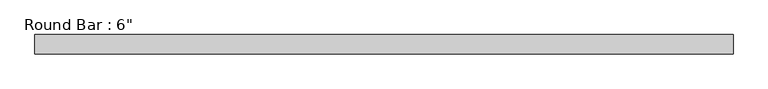
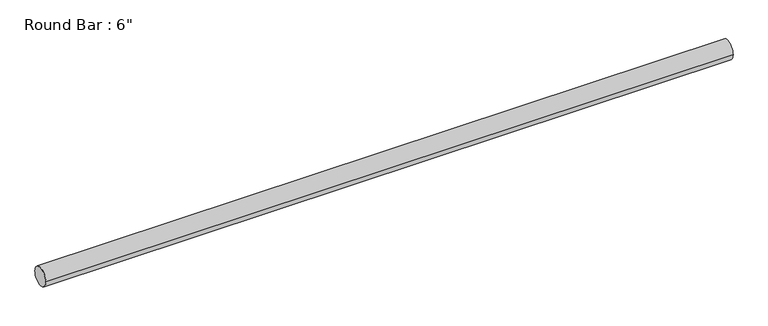
"""IFC4 building model written with IfcOpenShell, lengths in millimetres: beam geometry."""

from ifc_helpers import new_model, si_unit, point, frame, origin, origin_2d, place, context, project, spatial, circle_curve, trimmed, segment, composite_curve, outline, extrude, source, transform, mapped, element, save


def beam_d87764e8(model_context):
    return source(origin(), model_context, "Body", "SweptSolid", [
        extrude(outline(composite_curve([segment(trimmed(circle_curve(origin_2d(), 76.2), [point((76.2, 0.0))], [point((-76.2, 0.0))], False, "CARTESIAN"), True, "CONTINUOUS"), segment(trimmed(circle_curve(origin_2d(), 76.2), [point((-76.2, 0.0))], [point((76.2, 0.0))], False, "CARTESIAN"), True, "CONTINUOUS")], self_intersect=False)), frame((-2754.7607235, 0.0, 0.0), z_axis=(1.0, 0.0, 0.0), x_axis=(0.0, 1.0, 0.0)), (0.0, 0.0, 1.0), 5509.5214471),
    ])


if __name__ == "__main__":
    model = new_model("IFC4")
    model_context = context("Model", 3, world=origin())
    ifc_project = project(units=[si_unit("LENGTHUNIT", "METRE", prefix="MILLI")], contexts=[model_context])
    site = spatial("IfcSite", under=ifc_project)
    building = spatial("IfcBuilding", under=site)
    placement = place(None, origin())
    beam_shape = beam_d87764e8(model_context)
    element("IfcBeam", 1, ObjectType="Round Bar : 6\"", at=placement, inside=building, context=model_context, shape_type="MappedRepresentation", body=[
        mapped(beam_shape, transform((0.0, 0.0, 0.0), x_axis=(1.0, 0.0, 0.0), y_axis=(0.0, 1.0, 0.0), z_axis=(0.0, 0.0, 1.0))),
    ])
    save(model, "model.ifc")
